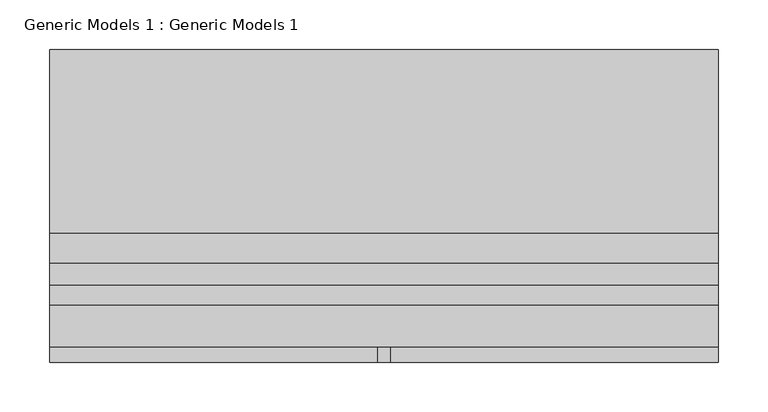
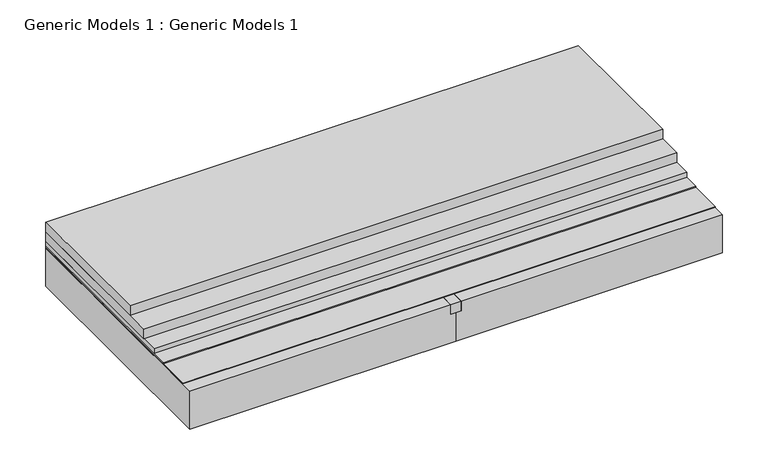
"""IFC4 building model written with IfcOpenShell, lengths in millimetres: proxy geometry, Generic Models 1 : Generic Models 1."""

from ifc_helpers import new_model, si_unit, frame, origin, place, context, project, spatial, polyline, outline, extrude, source, transform, mapped, element, save


def generic_models_1_generic_models_1_987885ce(model_context):
    return source(origin(), model_context, "Body", "SweptSolid", [
        extrude(outline(polyline([(-285.75, 317.5), (387.35, 317.5), (387.35, 132.9065448), (-285.75, 132.9065448), (-285.75, 317.5)])), frame((0.0, 0.0, 210.34375), z_axis=(0.0, 0.0, 1.0), x_axis=(1.0, 0.0, 0.0)), (0.0, 0.0, 1.0), 12.7),
        extrude(outline(polyline([(-285.75, 317.5), (387.35, 317.5), (387.35, 102.506632), (-285.75, 102.506632), (-285.75, 317.5)])), frame((0.0, 0.0, 197.64375), z_axis=(0.0, 0.0, 1.0), x_axis=(1.0, 0.0, 0.0)), (0.0, 0.0, 1.0), 12.7),
        extrude(outline(polyline([(-285.75, 317.5), (387.35, 317.5), (387.35, 80.3328189), (-285.75, 80.3328189), (-285.75, 317.5)])), frame((0.0, 0.0, 191.29375), z_axis=(0.0, 0.0, 1.0), x_axis=(1.0, 0.0, 0.0)), (0.0, 0.0, 1.0), 6.35),
        extrude(outline(polyline([(-285.75, 317.5), (387.35, 317.5), (387.35, 60.368829), (-285.75, 60.368829), (-285.75, 317.5)])), frame((0.0, 0.0, 189.70625), z_axis=(0.0, 0.0, 1.0), x_axis=(1.0, 0.0, 0.0)), (0.0, 0.0, 1.0), 1.5875),
        extrude(outline(polyline([(44.45, 317.5), (57.15, 317.5), (57.15, 2.38125), (44.45, 2.38125), (44.45, 317.5)])), frame((0.0, 0.0, 175.41875), z_axis=(0.0, 0.0, 1.0), x_axis=(1.0, 0.0, 0.0)), (0.0, 0.0, 1.0), 12.7),
        extrude(outline(polyline([(188.11875, -285.75), (137.31875, -285.75), (137.31875, 50.8), (175.41875, 50.8), (175.41875, 44.45), (188.11875, 44.45), (188.11875, -285.75)])), frame((0.0, 2.38125, 0.0), z_axis=(0.0, 1.0, 0.0), x_axis=(0.0, 0.0, 1.0)), (0.0, 0.0, 1.0), 315.11875),
        extrude(outline(polyline([(387.35, 17.8142958), (-285.75, 17.8142958), (-285.75, 317.5), (387.35, 317.5), (387.35, 17.8142958)])), frame((0.0, 0.0, 188.9125), z_axis=(0.0, 0.0, 1.0), x_axis=(1.0, 0.0, 0.0)), (0.0, 0.0, 1.0), 0.79375),
        extrude(outline(polyline([(188.11875, 387.35), (188.11875, 57.15), (175.41875, 57.15), (175.41875, 50.8), (137.31875, 50.8), (137.31875, 387.35), (188.11875, 387.35)])), frame((0.0, 2.38125, 0.0), z_axis=(0.0, 1.0, 0.0), x_axis=(0.0, 0.0, 1.0)), (0.0, 0.0, 1.0), 315.11875),
    ])


if __name__ == "__main__":
    model = new_model("IFC4")
    model_context = context("Model", 3, world=origin())
    ifc_project = project(units=[si_unit("LENGTHUNIT", "METRE", prefix="MILLI")], contexts=[model_context])
    site = spatial("IfcSite", under=ifc_project)
    building = spatial("IfcBuilding", under=site)
    placement = place(None, origin())
    generic_models_1_generic_models_1_shape = generic_models_1_generic_models_1_987885ce(model_context)
    element("IfcBuildingElementProxy", 1, Name="Generic Models 1 : Generic Models 1", ObjectType="Generic Models 1 : Generic Models 1", at=placement, inside=building, context=model_context, shape_type="MappedRepresentation", body=[
        mapped(generic_models_1_generic_models_1_shape, transform((0.0, 0.0, 0.0), x_axis=(1.0, 0.0, 0.0), y_axis=(0.0, 1.0, 0.0), z_axis=(0.0, 0.0, 1.0))),
    ])
    save(model, "model.ifc")
